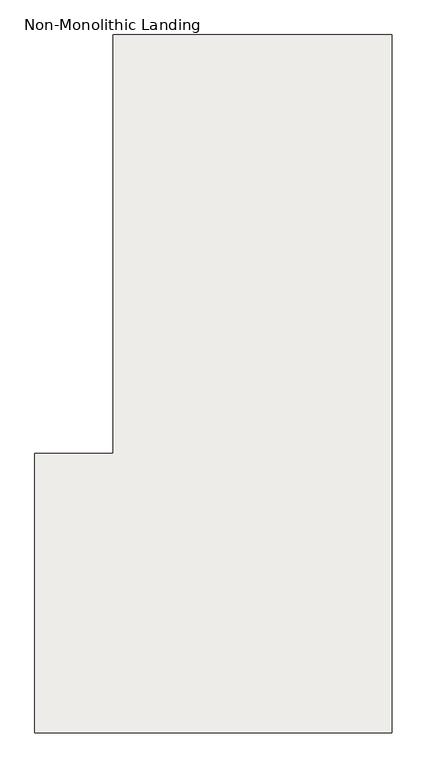
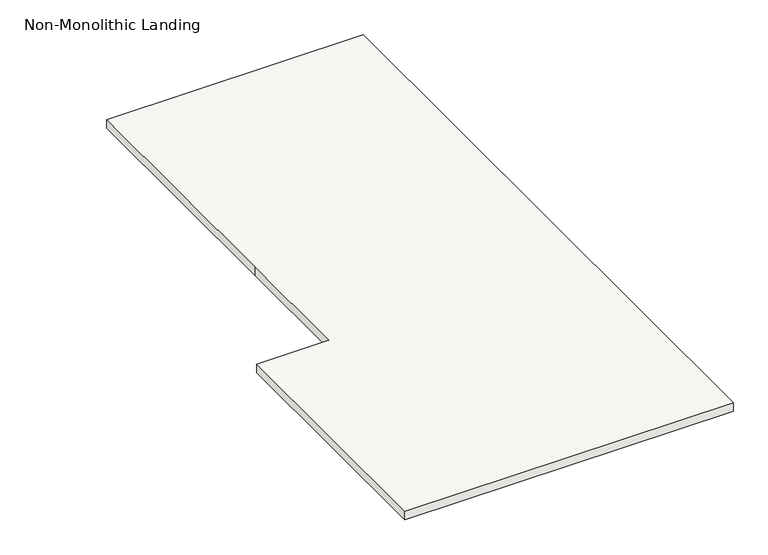
"""IFC4 building model written with IfcOpenShell, lengths in millimetres: slab geometry, Non-Monolithic Landing."""

from ifc_helpers import new_model, si_unit, frame, origin, place, context, project, spatial, polyline, outline, extrude, source, transform, mapped, element, save


def non_monolithic_landing_1b5a409d(model_context):
    return source(origin(), model_context, "Body", "SweptSolid", [
        extrude(outline(polyline([(3454.5692102, 340.9233624), (4454.5692102, 340.9233624), (4454.5692102, -2159.0766376), (3174.5692102, -2159.0766376), (3174.5692102, -1159.0766376), (3454.5692102, -1159.0766376), (3454.5692102, -659.0766376), (3454.5692102, 340.9233624)])), frame((0.0, 0.0, -2639.0806558), z_axis=(0.0, 0.0, 1.0), x_axis=(1.0, 0.0, 0.0)), (0.0, 0.0, 1.0), 35.0),
    ])


if __name__ == "__main__":
    model = new_model("IFC4")
    model_context = context("Model", 3, world=origin())
    ifc_project = project(units=[si_unit("LENGTHUNIT", "METRE", prefix="MILLI")], contexts=[model_context])
    site = spatial("IfcSite", under=ifc_project)
    building = spatial("IfcBuilding", under=site)
    placement = place(None, origin())
    non_monolithic_landing_shape = non_monolithic_landing_1b5a409d(model_context)
    element("IfcSlab", 1, ObjectType="Non-Monolithic Landing", at=placement, inside=building, context=model_context, shape_type="MappedRepresentation", body=[
        mapped(non_monolithic_landing_shape, transform((0.0, 0.0, 0.0), x_axis=(1.0, 0.0, 0.0), y_axis=(0.0, 1.0, 0.0), z_axis=(0.0, 0.0, 1.0))),
    ])
    save(model, "model.ifc")
